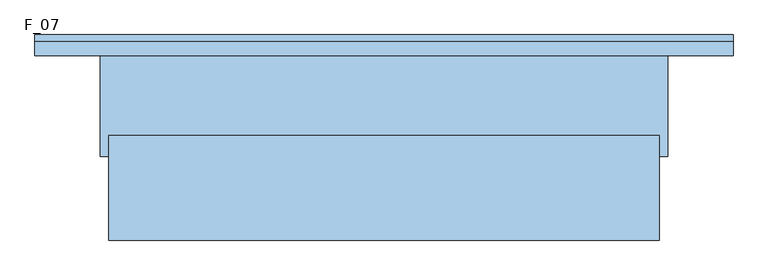
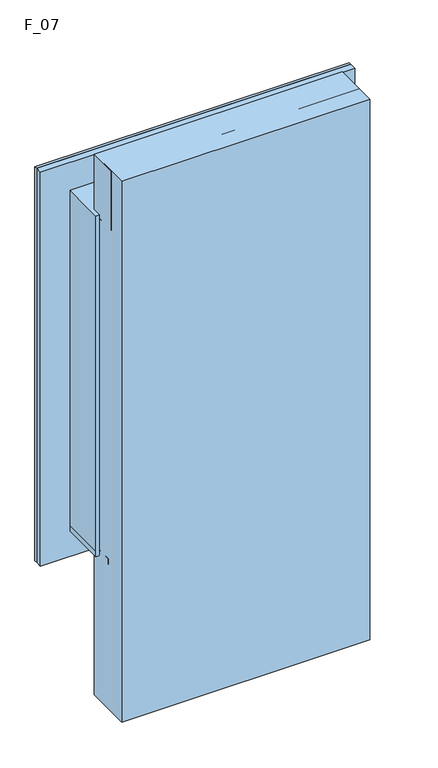
"""IFC4 building model written with IfcOpenShell, lengths in millimetres: window geometry, F_07."""

from ifc_helpers import new_model, si_unit, point, frame, frame_2d, origin, origin_with_axes, place, context, project, spatial, polyline, circle_curve, ellipse_curve, trimmed, segment, composite_curve, outline, extrude, faceted_brep, source, transform, mapped, element, save
from ifc_brep_helpers import plane_surface, revolved_surface, advanced_brep


def f_07_8e0ab3a9(model_context):
    return source(origin(), model_context, "Body", "SolidModel", [
        extrude(outline(polyline([(655.0, -220.0), (-655.0, -220.0), (-655.0, 30.0), (655.0, 30.0), (655.0, -220.0)])), origin_with_axes(), (0.0, 0.0, 1.0), 3020.0),
        extrude(outline(polyline([(2710.0, -675.0), (820.0, -675.0), (820.0, 675.0), (2710.0, 675.0), (2710.0, -675.0)]), holes=[polyline([(2690.0, -655.0), (2690.0, 655.0), (840.0, 655.0), (840.0, -655.0), (2690.0, -655.0)])]), frame((0.0, 255.0, 0.0), z_axis=(0.0, 1.0, 0.0), x_axis=(0.0, 0.0, 1.0)), (0.0, 0.0, 1.0), 15.0),
        extrude(outline(polyline([(665.0, -830.0), (665.0, 830.0), (2865.0, 830.0), (2865.0, -830.0), (665.0, -830.0)]), holes=[polyline([(2845.0, -810.0), (2845.0, 810.0), (685.0, 810.0), (685.0, -810.0), (2845.0, -810.0)])]), frame((0.0, 255.0, 0.0), z_axis=(0.0, 1.0, 0.0), x_axis=(0.0, 0.0, 1.0)), (0.0, 0.0, 1.0), 15.0),
        extrude(outline(polyline([(820.0, 685.6066017), (944.3933983, 810.0), (965.6066017, 810.0), (1090.0, 685.6066017), (1214.3933983, 810.0), (1235.6066017, 810.0), (1360.0, 685.6066017), (1484.3933983, 810.0), (1505.6066017, 810.0), (1630.0, 685.6066017), (1754.3933983, 810.0), (1775.6066017, 810.0), (1900.0, 685.6066017), (2024.3933983, 810.0), (2045.6066017, 810.0), (2170.0, 685.6066017), (2294.3933983, 810.0), (2315.6066017, 810.0), (2440.0, 685.6066017), (2564.3933983, 810.0), (2575.0, 810.0), (2704.6966991, 680.3033009), (2834.3933983, 810.0), (2845.0, 810.0), (2845.0, 799.3933983), (2715.3033009, 669.6966991), (2845.0, 540.0), (2845.0, 529.3933983), (2720.6066017, 405.0), (2845.0, 280.6066017), (2845.0, 259.3933983), (2720.6066017, 135.0), (2845.0, 10.6066017), (2845.0, -10.6066017), (2720.6066017, -135.0), (2845.0, -259.3933983), (2845.0, -280.6066017), (2720.6066017, -405.0), (2845.0, -529.3933983), (2845.0, -550.6066017), (2720.6066017, -675.0), (2845.0, -799.3933983), (2845.0, -810.0), (2834.3933983, -810.0), (2710.0, -685.6066017), (2585.6066017, -810.0), (2564.3933983, -810.0), (2440.0, -685.6066017), (2315.6066017, -810.0), (2294.3933983, -810.0), (2170.0, -685.6066017), (2045.6066017, -810.0), (2024.3933983, -810.0), (1900.0, -685.6066017), (1775.6066017, -810.0), (1754.3933983, -810.0), (1630.0, -685.6066017), (1505.6066017, -810.0), (1484.3933983, -810.0), (1360.0, -685.6066017), (1235.6066017, -810.0), (1214.3933983, -810.0), (1090.0, -685.6066017), (965.6066017, -810.0), (944.3933983, -810.0), (820.0, -685.6066017), (695.6066017, -810.0), (685.0, -810.0), (685.0, -799.3933983), (809.3933983, -675.0), (685.0, -550.6066017), (685.0, -529.3933983), (809.3933983, -405.0), (685.0, -280.6066017), (685.0, -259.3933983), (809.3933983, -135.0), (685.0, -10.6066017), (685.0, 10.6066017), (809.3933983, 135.0), (685.0, 259.3933983), (685.0, 280.6066017), (809.3933983, 405.0), (685.0, 529.3933983), (685.0, 550.6066017), (809.3933983, 675.0), (685.0, 799.3933983), (685.0, 810.0), (695.6066017, 810.0), (820.0, 685.6066017)]), holes=[polyline([(820.0, 664.3933983), (695.6066017, 540.0), (820.0, 415.6066017), (820.0, 394.3933983), (695.6066017, 270.0), (820.0, 145.6066017), (820.0, 124.3933983), (695.6066017, 0.0), (820.0, -124.3933983), (820.0, -145.6066017), (695.6066017, -270.0), (820.0, -394.3933983), (820.0, -415.6066017), (695.6066017, -540.0), (820.0, -664.3933983), (820.0, -675.0), (830.6066017, -675.0), (955.0, -799.3933983), (1079.3933983, -675.0), (1100.6066017, -675.0), (1225.0, -799.3933983), (1349.3933983, -675.0), (1370.6066017, -675.0), (1495.0, -799.3933983), (1619.3933983, -675.0), (1640.6066017, -675.0), (1765.0, -799.3933983), (1889.3933983, -675.0), (1910.6066017, -675.0), (2035.0, -799.3933983), (2159.3933983, -675.0), (2180.6066017, -675.0), (2305.0, -799.3933983), (2429.3933983, -675.0), (2450.6066017, -675.0), (2575.0, -799.3933983), (2699.3933983, -675.0), (2710.0, -675.0), (2710.0, -664.3933983), (2834.3933983, -540.0), (2710.0, -415.6066017), (2710.0, -394.3933983), (2834.3933983, -270.0), (2710.0, -145.6066017), (2710.0, -124.3933983), (2834.3933983, 0.0), (2710.0, 124.3933983), (2710.0, 145.6066017), (2834.3933983, 270.0), (2710.0, 394.3933983), (2710.0, 415.6066017), (2829.0900974, 534.6966991), (2710.0, 653.7867966), (2710.0, 675.0), (2688.7867966, 675.0), (2569.6966991, 794.0900974), (2450.6066017, 675.0), (2429.3933983, 675.0), (2305.0, 799.3933983), (2180.6066017, 675.0), (2159.3933983, 675.0), (2035.0, 799.3933983), (1910.6066017, 675.0), (1889.3933983, 675.0), (1765.0, 799.3933983), (1640.6066017, 675.0), (1619.3933983, 675.0), (1495.0, 799.3933983), (1370.6066017, 675.0), (1349.3933983, 675.0), (1225.0, 799.3933983), (1100.6066017, 675.0), (1079.3933983, 675.0), (955.0, 799.3933983), (830.6066017, 675.0), (820.0, 675.0), (820.0, 664.3933983)])]), frame((0.0, 255.0, 0.0), z_axis=(0.0, 1.0, 0.0), x_axis=(0.0, 0.0, 1.0)), (0.0, 0.0, 1.0), 10.0),
        extrude(outline(composite_curve([segment(polyline([(2845.0, 470.0), (2845.0, 340.0)]), True, "CONTINUOUS"), segment(trimmed(circle_curve(frame_2d((2845.0, 405.0)), 65.0), [point((2845.0, 340.0))], [point((2845.0, 470.0))], False, "CARTESIAN"), True, "CONTINUOUS")], self_intersect=False)), frame((0.0, 255.0, 0.0), z_axis=(0.0, 1.0, 0.0), x_axis=(0.0, 0.0, 1.0)), (0.0, 0.0, 1.0), 10.0),
        extrude(outline(composite_curve([segment(polyline([(2845.0, 200.0), (2845.0, 70.0)]), True, "CONTINUOUS"), segment(trimmed(circle_curve(frame_2d((2845.0, 135.0)), 65.0), [point((2845.0, 70.0))], [point((2845.0, 200.0))], False, "CARTESIAN"), True, "CONTINUOUS")], self_intersect=False)), frame((0.0, 255.0, 0.0), z_axis=(0.0, 1.0, 0.0), x_axis=(0.0, 0.0, 1.0)), (0.0, 0.0, 1.0), 10.0),
        extrude(outline(composite_curve([segment(polyline([(2845.0, -70.0), (2845.0, -200.0)]), True, "CONTINUOUS"), segment(trimmed(circle_curve(frame_2d((2845.0, -135.0)), 65.0), [point((2845.0, -200.0))], [point((2845.0, -70.0))], False, "CARTESIAN"), True, "CONTINUOUS")], self_intersect=False)), frame((0.0, 255.0, 0.0), z_axis=(0.0, 1.0, 0.0), x_axis=(0.0, 0.0, 1.0)), (0.0, 0.0, 1.0), 10.0),
        extrude(outline(composite_curve([segment(polyline([(2845.0, -340.0), (2845.0, -470.0)]), True, "CONTINUOUS"), segment(trimmed(circle_curve(frame_2d((2845.0, -405.0)), 65.0), [point((2845.0, -470.0))], [point((2845.0, -340.0))], False, "CARTESIAN"), True, "CONTINUOUS")], self_intersect=False)), frame((0.0, 255.0, 0.0), z_axis=(0.0, 1.0, 0.0), x_axis=(0.0, 0.0, 1.0)), (0.0, 0.0, 1.0), 10.0),
        extrude(outline(composite_curve([segment(polyline([(2845.0, -610.0), (2845.0, -740.0)]), True, "CONTINUOUS"), segment(trimmed(circle_curve(frame_2d((2845.0, -675.0)), 65.0), [point((2845.0, -740.0))], [point((2845.0, -610.0))], False, "CARTESIAN"), True, "CONTINUOUS")], self_intersect=False)), frame((0.0, 255.0, 0.0), z_axis=(0.0, 1.0, 0.0), x_axis=(0.0, 0.0, 1.0)), (0.0, 0.0, 1.0), 10.0),
        extrude(outline(composite_curve([segment(polyline([(2845.0, 735.0), (2845.0, 605.0)]), True, "CONTINUOUS"), segment(trimmed(circle_curve(frame_2d((2845.0, 670.0)), 65.0), [point((2845.0, 605.0))], [point((2845.0, 735.0))], False, "CARTESIAN"), True, "CONTINUOUS")], self_intersect=False)), frame((0.0, 255.0, 0.0), z_axis=(0.0, 1.0, 0.0), x_axis=(0.0, 0.0, 1.0)), (0.0, 0.0, 1.0), 10.0),
        extrude(outline(composite_curve([segment(trimmed(circle_curve(frame_2d((2710.0, 270.0)), 65.0), [point((2710.0, 335.0))], [point((2710.0, 205.0))], False, "CARTESIAN"), True, "CONTINUOUS"), segment(polyline([(2710.0, 205.0), (2710.0, 335.0)]), True, "CONTINUOUS")], self_intersect=False)), frame((0.0, 255.0, 0.0), z_axis=(0.0, 1.0, 0.0), x_axis=(0.0, 0.0, 1.0)), (0.0, 0.0, 1.0), 10.0),
        extrude(outline(composite_curve([segment(trimmed(circle_curve(frame_2d((2710.0, 534.6966991)), 65.0), [point((2710.0, 599.6966991))], [point((2710.0, 469.6966991))], False, "CARTESIAN"), True, "CONTINUOUS"), segment(polyline([(2710.0, 469.6966991), (2710.0, 599.6966991)]), True, "CONTINUOUS")], self_intersect=False)), frame((0.0, 255.0, 0.0), z_axis=(0.0, 1.0, 0.0), x_axis=(0.0, 0.0, 1.0)), (0.0, 0.0, 1.0), 10.0),
        extrude(outline(composite_curve([segment(trimmed(circle_curve(frame_2d((2710.0, 0.0)), 65.0), [point((2710.0, 65.0))], [point((2710.0, -65.0))], False, "CARTESIAN"), True, "CONTINUOUS"), segment(polyline([(2710.0, -65.0), (2710.0, 65.0)]), True, "CONTINUOUS")], self_intersect=False)), frame((0.0, 255.0, 0.0), z_axis=(0.0, 1.0, 0.0), x_axis=(0.0, 0.0, 1.0)), (0.0, 0.0, 1.0), 10.0),
        extrude(outline(composite_curve([segment(trimmed(circle_curve(frame_2d((2710.0, -270.0)), 65.0), [point((2710.0, -205.0))], [point((2710.0, -335.0))], False, "CARTESIAN"), True, "CONTINUOUS"), segment(polyline([(2710.0, -335.0), (2710.0, -205.0)]), True, "CONTINUOUS")], self_intersect=False)), frame((0.0, 255.0, 0.0), z_axis=(0.0, 1.0, 0.0), x_axis=(0.0, 0.0, 1.0)), (0.0, 0.0, 1.0), 10.0),
        extrude(outline(composite_curve([segment(trimmed(circle_curve(frame_2d((2710.0, -540.0)), 65.0), [point((2710.0, -475.0))], [point((2710.0, -605.0))], False, "CARTESIAN"), True, "CONTINUOUS"), segment(polyline([(2710.0, -605.0), (2710.0, -475.0)]), True, "CONTINUOUS")], self_intersect=False)), frame((0.0, 255.0, 0.0), z_axis=(0.0, 1.0, 0.0), x_axis=(0.0, 0.0, 1.0)), (0.0, 0.0, 1.0), 10.0),
        extrude(outline(composite_curve([segment(polyline([(820.0, 605.0), (820.0, 475.0)]), True, "CONTINUOUS"), segment(trimmed(circle_curve(frame_2d((820.0, 540.0)), 65.0), [point((820.0, 475.0))], [point((820.0, 605.0))], False, "CARTESIAN"), True, "CONTINUOUS")], self_intersect=False)), frame((0.0, 255.0, 0.0), z_axis=(0.0, 1.0, 0.0), x_axis=(0.0, 0.0, 1.0)), (0.0, 0.0, 1.0), 10.0),
        extrude(outline(composite_curve([segment(polyline([(820.0, 335.0), (820.0, 205.0)]), True, "CONTINUOUS"), segment(trimmed(circle_curve(frame_2d((820.0, 270.0)), 65.0), [point((820.0, 205.0))], [point((820.0, 335.0))], False, "CARTESIAN"), True, "CONTINUOUS")], self_intersect=False)), frame((0.0, 255.0, 0.0), z_axis=(0.0, 1.0, 0.0), x_axis=(0.0, 0.0, 1.0)), (0.0, 0.0, 1.0), 10.0),
        extrude(outline(composite_curve([segment(polyline([(820.0, 65.0), (820.0, -65.0)]), True, "CONTINUOUS"), segment(trimmed(circle_curve(frame_2d((820.0, 0.0)), 65.0), [point((820.0, -65.0))], [point((820.0, 65.0))], False, "CARTESIAN"), True, "CONTINUOUS")], self_intersect=False)), frame((0.0, 255.0, 0.0), z_axis=(0.0, 1.0, 0.0), x_axis=(0.0, 0.0, 1.0)), (0.0, 0.0, 1.0), 10.0),
        extrude(outline(composite_curve([segment(polyline([(820.0, -205.0), (820.0, -335.0)]), True, "CONTINUOUS"), segment(trimmed(circle_curve(frame_2d((820.0, -270.0)), 65.0), [point((820.0, -335.0))], [point((820.0, -205.0))], False, "CARTESIAN"), True, "CONTINUOUS")], self_intersect=False)), frame((0.0, 255.0, 0.0), z_axis=(0.0, 1.0, 0.0), x_axis=(0.0, 0.0, 1.0)), (0.0, 0.0, 1.0), 10.0),
        extrude(outline(composite_curve([segment(polyline([(820.0, -475.0), (820.0, -605.0)]), True, "CONTINUOUS"), segment(trimmed(circle_curve(frame_2d((820.0, -540.0)), 65.0), [point((820.0, -605.0))], [point((820.0, -475.0))], False, "CARTESIAN"), True, "CONTINUOUS")], self_intersect=False)), frame((0.0, 255.0, 0.0), z_axis=(0.0, 1.0, 0.0), x_axis=(0.0, 0.0, 1.0)), (0.0, 0.0, 1.0), 10.0),
        extrude(outline(composite_curve([segment(trimmed(circle_curve(frame_2d((685.0, 405.0)), 65.0), [point((685.0, 470.0))], [point((685.0, 340.0))], False, "CARTESIAN"), True, "CONTINUOUS"), segment(polyline([(685.0, 340.0), (685.0, 470.0)]), True, "CONTINUOUS")], self_intersect=False)), frame((0.0, 255.0, 0.0), z_axis=(0.0, 1.0, 0.0), x_axis=(0.0, 0.0, 1.0)), (0.0, 0.0, 1.0), 10.0),
        extrude(outline(composite_curve([segment(trimmed(circle_curve(frame_2d((685.0, 135.0)), 65.0), [point((685.0, 200.0))], [point((685.0, 70.0))], False, "CARTESIAN"), True, "CONTINUOUS"), segment(polyline([(685.0, 70.0), (685.0, 200.0)]), True, "CONTINUOUS")], self_intersect=False)), frame((0.0, 255.0, 0.0), z_axis=(0.0, 1.0, 0.0), x_axis=(0.0, 0.0, 1.0)), (0.0, 0.0, 1.0), 10.0),
        extrude(outline(composite_curve([segment(trimmed(circle_curve(frame_2d((685.0, 675.0)), 65.0), [point((685.0, 740.0))], [point((685.0, 610.0))], False, "CARTESIAN"), True, "CONTINUOUS"), segment(polyline([(685.0, 610.0), (685.0, 740.0)]), True, "CONTINUOUS")], self_intersect=False)), frame((0.0, 255.0, 0.0), z_axis=(0.0, 1.0, 0.0), x_axis=(0.0, 0.0, 1.0)), (0.0, 0.0, 1.0), 10.0),
        extrude(outline(composite_curve([segment(trimmed(circle_curve(frame_2d((685.0, -135.0)), 65.0), [point((685.0, -70.0))], [point((685.0, -200.0))], False, "CARTESIAN"), True, "CONTINUOUS"), segment(polyline([(685.0, -200.0), (685.0, -70.0)]), True, "CONTINUOUS")], self_intersect=False)), frame((0.0, 255.0, 0.0), z_axis=(0.0, 1.0, 0.0), x_axis=(0.0, 0.0, 1.0)), (0.0, 0.0, 1.0), 10.0),
        extrude(outline(composite_curve([segment(trimmed(circle_curve(frame_2d((685.0, -405.0)), 65.0), [point((685.0, -340.0))], [point((685.0, -470.0))], False, "CARTESIAN"), True, "CONTINUOUS"), segment(polyline([(685.0, -470.0), (685.0, -340.0)]), True, "CONTINUOUS")], self_intersect=False)), frame((0.0, 255.0, 0.0), z_axis=(0.0, 1.0, 0.0), x_axis=(0.0, 0.0, 1.0)), (0.0, 0.0, 1.0), 10.0),
        extrude(outline(composite_curve([segment(trimmed(circle_curve(frame_2d((685.0, -675.0)), 65.0), [point((685.0, -610.0))], [point((685.0, -740.0))], False, "CARTESIAN"), True, "CONTINUOUS"), segment(polyline([(685.0, -740.0), (685.0, -610.0)]), True, "CONTINUOUS")], self_intersect=False)), frame((0.0, 255.0, 0.0), z_axis=(0.0, 1.0, 0.0), x_axis=(0.0, 0.0, 1.0)), (0.0, 0.0, 1.0), 10.0),
        extrude(outline(composite_curve([segment(trimmed(circle_curve(frame_2d((1090.0, -810.0)), 65.0), [point((1025.0, -810.0))], [point((1155.0, -810.0))], False, "CARTESIAN"), True, "CONTINUOUS"), segment(polyline([(1155.0, -810.0), (1025.0, -810.0)]), True, "CONTINUOUS")], self_intersect=False)), frame((0.0, 255.0, 0.0), z_axis=(0.0, 1.0, 0.0), x_axis=(0.0, 0.0, 1.0)), (0.0, 0.0, 1.0), 10.0),
        extrude(outline(composite_curve([segment(trimmed(circle_curve(frame_2d((955.0, -675.0)), 65.0), [point((1020.0, -675.0))], [point((890.0, -675.0))], False, "CARTESIAN"), True, "CONTINUOUS"), segment(polyline([(890.0, -675.0), (1020.0, -675.0)]), True, "CONTINUOUS")], self_intersect=False)), frame((0.0, 255.0, 0.0), z_axis=(0.0, 1.0, 0.0), x_axis=(0.0, 0.0, 1.0)), (0.0, 0.0, 1.0), 10.0),
        extrude(outline(composite_curve([segment(trimmed(circle_curve(frame_2d((820.0, -810.0)), 65.0), [point((755.0, -810.0))], [point((885.0, -810.0))], False, "CARTESIAN"), True, "CONTINUOUS"), segment(polyline([(885.0, -810.0), (755.0, -810.0)]), True, "CONTINUOUS")], self_intersect=False)), frame((0.0, 255.0, 0.0), z_axis=(0.0, 1.0, 0.0), x_axis=(0.0, 0.0, 1.0)), (0.0, 0.0, 1.0), 10.0),
        extrude(outline(composite_curve([segment(trimmed(circle_curve(frame_2d((1360.0, -810.0)), 65.0), [point((1295.0, -810.0))], [point((1425.0, -810.0))], False, "CARTESIAN"), True, "CONTINUOUS"), segment(polyline([(1425.0, -810.0), (1295.0, -810.0)]), True, "CONTINUOUS")], self_intersect=False)), frame((0.0, 255.0, 0.0), z_axis=(0.0, 1.0, 0.0), x_axis=(0.0, 0.0, 1.0)), (0.0, 0.0, 1.0), 10.0),
        extrude(outline(composite_curve([segment(trimmed(circle_curve(frame_2d((1630.0, -810.0)), 65.0), [point((1565.0, -810.0))], [point((1695.0, -810.0))], False, "CARTESIAN"), True, "CONTINUOUS"), segment(polyline([(1695.0, -810.0), (1565.0, -810.0)]), True, "CONTINUOUS")], self_intersect=False)), frame((0.0, 255.0, 0.0), z_axis=(0.0, 1.0, 0.0), x_axis=(0.0, 0.0, 1.0)), (0.0, 0.0, 1.0), 10.0),
        extrude(outline(composite_curve([segment(trimmed(circle_curve(frame_2d((1900.0, -810.0)), 65.0), [point((1835.0, -810.0))], [point((1965.0, -810.0))], False, "CARTESIAN"), True, "CONTINUOUS"), segment(polyline([(1965.0, -810.0), (1835.0, -810.0)]), True, "CONTINUOUS")], self_intersect=False)), frame((0.0, 255.0, 0.0), z_axis=(0.0, 1.0, 0.0), x_axis=(0.0, 0.0, 1.0)), (0.0, 0.0, 1.0), 10.0),
        extrude(outline(composite_curve([segment(trimmed(circle_curve(frame_2d((2170.0, -810.0)), 65.0), [point((2105.0, -810.0))], [point((2235.0, -810.0))], False, "CARTESIAN"), True, "CONTINUOUS"), segment(polyline([(2235.0, -810.0), (2105.0, -810.0)]), True, "CONTINUOUS")], self_intersect=False)), frame((0.0, 255.0, 0.0), z_axis=(0.0, 1.0, 0.0), x_axis=(0.0, 0.0, 1.0)), (0.0, 0.0, 1.0), 10.0),
        extrude(outline(composite_curve([segment(trimmed(circle_curve(frame_2d((2440.0, -810.0)), 65.0), [point((2375.0, -810.0))], [point((2505.0, -810.0))], False, "CARTESIAN"), True, "CONTINUOUS"), segment(polyline([(2505.0, -810.0), (2375.0, -810.0)]), True, "CONTINUOUS")], self_intersect=False)), frame((0.0, 255.0, 0.0), z_axis=(0.0, 1.0, 0.0), x_axis=(0.0, 0.0, 1.0)), (0.0, 0.0, 1.0), 10.0),
        extrude(outline(composite_curve([segment(trimmed(circle_curve(frame_2d((2710.0, -810.0)), 65.0), [point((2645.0, -810.0))], [point((2775.0, -810.0))], False, "CARTESIAN"), True, "CONTINUOUS"), segment(polyline([(2775.0, -810.0), (2645.0, -810.0)]), True, "CONTINUOUS")], self_intersect=False)), frame((0.0, 255.0, 0.0), z_axis=(0.0, 1.0, 0.0), x_axis=(0.0, 0.0, 1.0)), (0.0, 0.0, 1.0), 10.0),
        extrude(outline(composite_curve([segment(trimmed(circle_curve(frame_2d((2569.6966991, 675.0)), 65.0), [point((2504.6966991, 675.0))], [point((2634.6966991, 675.0))], False, "CARTESIAN"), True, "CONTINUOUS"), segment(polyline([(2634.6966991, 675.0), (2504.6966991, 675.0)]), True, "CONTINUOUS")], self_intersect=False)), frame((0.0, 255.0, 0.0), z_axis=(0.0, 1.0, 0.0), x_axis=(0.0, 0.0, 1.0)), (0.0, 0.0, 1.0), 10.0),
        extrude(outline(composite_curve([segment(trimmed(circle_curve(frame_2d((2305.0, 675.0)), 65.0), [point((2240.0, 675.0))], [point((2370.0, 675.0))], False, "CARTESIAN"), True, "CONTINUOUS"), segment(polyline([(2370.0, 675.0), (2240.0, 675.0)]), True, "CONTINUOUS")], self_intersect=False)), frame((0.0, 255.0, 0.0), z_axis=(0.0, 1.0, 0.0), x_axis=(0.0, 0.0, 1.0)), (0.0, 0.0, 1.0), 10.0),
        extrude(outline(composite_curve([segment(trimmed(circle_curve(frame_2d((2035.0, 675.0)), 65.0), [point((1970.0, 675.0))], [point((2100.0, 675.0))], False, "CARTESIAN"), True, "CONTINUOUS"), segment(polyline([(2100.0, 675.0), (1970.0, 675.0)]), True, "CONTINUOUS")], self_intersect=False)), frame((0.0, 255.0, 0.0), z_axis=(0.0, 1.0, 0.0), x_axis=(0.0, 0.0, 1.0)), (0.0, 0.0, 1.0), 10.0),
        extrude(outline(composite_curve([segment(trimmed(circle_curve(frame_2d((1765.0, 675.0)), 65.0), [point((1700.0, 675.0))], [point((1830.0, 675.0))], False, "CARTESIAN"), True, "CONTINUOUS"), segment(polyline([(1830.0, 675.0), (1700.0, 675.0)]), True, "CONTINUOUS")], self_intersect=False)), frame((0.0, 255.0, 0.0), z_axis=(0.0, 1.0, 0.0), x_axis=(0.0, 0.0, 1.0)), (0.0, 0.0, 1.0), 10.0),
        extrude(outline(composite_curve([segment(trimmed(circle_curve(frame_2d((1225.0, 675.0)), 65.0), [point((1160.0, 675.0))], [point((1290.0, 675.0))], False, "CARTESIAN"), True, "CONTINUOUS"), segment(polyline([(1290.0, 675.0), (1160.0, 675.0)]), True, "CONTINUOUS")], self_intersect=False)), frame((0.0, 255.0, 0.0), z_axis=(0.0, 1.0, 0.0), x_axis=(0.0, 0.0, 1.0)), (0.0, 0.0, 1.0), 10.0),
        extrude(outline(composite_curve([segment(trimmed(circle_curve(frame_2d((955.0, 675.0)), 65.0), [point((890.0, 675.0))], [point((1020.0, 675.0))], False, "CARTESIAN"), True, "CONTINUOUS"), segment(polyline([(1020.0, 675.0), (890.0, 675.0)]), True, "CONTINUOUS")], self_intersect=False)), frame((0.0, 255.0, 0.0), z_axis=(0.0, 1.0, 0.0), x_axis=(0.0, 0.0, 1.0)), (0.0, 0.0, 1.0), 10.0),
        extrude(outline(composite_curve([segment(trimmed(circle_curve(frame_2d((1495.0, 675.0)), 65.0), [point((1430.0, 675.0))], [point((1560.0, 675.0))], False, "CARTESIAN"), True, "CONTINUOUS"), segment(polyline([(1560.0, 675.0), (1430.0, 675.0)]), True, "CONTINUOUS")], self_intersect=False)), frame((0.0, 255.0, 0.0), z_axis=(0.0, 1.0, 0.0), x_axis=(0.0, 0.0, 1.0)), (0.0, 0.0, 1.0), 10.0),
        extrude(outline(composite_curve([segment(trimmed(circle_curve(frame_2d((1225.0, -675.0)), 65.0), [point((1290.0, -675.0))], [point((1160.0, -675.0))], False, "CARTESIAN"), True, "CONTINUOUS"), segment(polyline([(1160.0, -675.0), (1290.0, -675.0)]), True, "CONTINUOUS")], self_intersect=False)), frame((0.0, 255.0, 0.0), z_axis=(0.0, 1.0, 0.0), x_axis=(0.0, 0.0, 1.0)), (0.0, 0.0, 1.0), 10.0),
        extrude(outline(composite_curve([segment(trimmed(circle_curve(frame_2d((1495.0, -675.0)), 65.0), [point((1560.0, -675.0))], [point((1430.0, -675.0))], False, "CARTESIAN"), True, "CONTINUOUS"), segment(polyline([(1430.0, -675.0), (1560.0, -675.0)]), True, "CONTINUOUS")], self_intersect=False)), frame((0.0, 255.0, 0.0), z_axis=(0.0, 1.0, 0.0), x_axis=(0.0, 0.0, 1.0)), (0.0, 0.0, 1.0), 10.0),
        extrude(outline(composite_curve([segment(trimmed(circle_curve(frame_2d((1765.0, -675.0)), 65.0), [point((1830.0, -675.0))], [point((1700.0, -675.0))], False, "CARTESIAN"), True, "CONTINUOUS"), segment(polyline([(1700.0, -675.0), (1830.0, -675.0)]), True, "CONTINUOUS")], self_intersect=False)), frame((0.0, 255.0, 0.0), z_axis=(0.0, 1.0, 0.0), x_axis=(0.0, 0.0, 1.0)), (0.0, 0.0, 1.0), 10.0),
        extrude(outline(composite_curve([segment(trimmed(circle_curve(frame_2d((2035.0, -675.0)), 65.0), [point((2100.0, -675.0))], [point((1970.0, -675.0))], False, "CARTESIAN"), True, "CONTINUOUS"), segment(polyline([(1970.0, -675.0), (2100.0, -675.0)]), True, "CONTINUOUS")], self_intersect=False)), frame((0.0, 255.0, 0.0), z_axis=(0.0, 1.0, 0.0), x_axis=(0.0, 0.0, 1.0)), (0.0, 0.0, 1.0), 10.0),
        extrude(outline(composite_curve([segment(trimmed(circle_curve(frame_2d((2305.0, -675.0)), 65.0), [point((2370.0, -675.0))], [point((2240.0, -675.0))], False, "CARTESIAN"), True, "CONTINUOUS"), segment(polyline([(2240.0, -675.0), (2370.0, -675.0)]), True, "CONTINUOUS")], self_intersect=False)), frame((0.0, 255.0, 0.0), z_axis=(0.0, 1.0, 0.0), x_axis=(0.0, 0.0, 1.0)), (0.0, 0.0, 1.0), 10.0),
        extrude(outline(composite_curve([segment(trimmed(circle_curve(frame_2d((2575.0, -675.0)), 65.0), [point((2640.0, -675.0))], [point((2510.0, -675.0))], False, "CARTESIAN"), True, "CONTINUOUS"), segment(polyline([(2510.0, -675.0), (2640.0, -675.0)]), True, "CONTINUOUS")], self_intersect=False)), frame((0.0, 255.0, 0.0), z_axis=(0.0, 1.0, 0.0), x_axis=(0.0, 0.0, 1.0)), (0.0, 0.0, 1.0), 10.0),
        extrude(outline(composite_curve([segment(trimmed(circle_curve(frame_2d((2704.6966991, 810.0)), 65.0), [point((2769.6966991, 810.0))], [point((2639.6966991, 810.0))], False, "CARTESIAN"), True, "CONTINUOUS"), segment(polyline([(2639.6966991, 810.0), (2769.6966991, 810.0)]), True, "CONTINUOUS")], self_intersect=False)), frame((0.0, 255.0, 0.0), z_axis=(0.0, 1.0, 0.0), x_axis=(0.0, 0.0, 1.0)), (0.0, 0.0, 1.0), 10.0),
        extrude(outline(composite_curve([segment(trimmed(circle_curve(frame_2d((2434.6966991, 810.0)), 65.0), [point((2499.6966991, 810.0))], [point((2369.6966991, 810.0))], False, "CARTESIAN"), True, "CONTINUOUS"), segment(polyline([(2369.6966991, 810.0), (2499.6966991, 810.0)]), True, "CONTINUOUS")], self_intersect=False)), frame((0.0, 255.0, 0.0), z_axis=(0.0, 1.0, 0.0), x_axis=(0.0, 0.0, 1.0)), (0.0, 0.0, 1.0), 10.0),
        extrude(outline(composite_curve([segment(trimmed(circle_curve(frame_2d((2164.6966991, 810.0)), 65.0), [point((2229.6966991, 810.0))], [point((2099.6966991, 810.0))], False, "CARTESIAN"), True, "CONTINUOUS"), segment(polyline([(2099.6966991, 810.0), (2229.6966991, 810.0)]), True, "CONTINUOUS")], self_intersect=False)), frame((0.0, 255.0, 0.0), z_axis=(0.0, 1.0, 0.0), x_axis=(0.0, 0.0, 1.0)), (0.0, 0.0, 1.0), 10.0),
        extrude(outline(composite_curve([segment(trimmed(circle_curve(frame_2d((1894.6966991, 810.0)), 65.0), [point((1959.6966991, 810.0))], [point((1829.6966991, 810.0))], False, "CARTESIAN"), True, "CONTINUOUS"), segment(polyline([(1829.6966991, 810.0), (1959.6966991, 810.0)]), True, "CONTINUOUS")], self_intersect=False)), frame((0.0, 255.0, 0.0), z_axis=(0.0, 1.0, 0.0), x_axis=(0.0, 0.0, 1.0)), (0.0, 0.0, 1.0), 10.0),
        extrude(outline(composite_curve([segment(trimmed(circle_curve(frame_2d((1624.6966991, 810.0)), 65.0), [point((1689.6966991, 810.0))], [point((1559.6966991, 810.0))], False, "CARTESIAN"), True, "CONTINUOUS"), segment(polyline([(1559.6966991, 810.0), (1689.6966991, 810.0)]), True, "CONTINUOUS")], self_intersect=False)), frame((0.0, 255.0, 0.0), z_axis=(0.0, 1.0, 0.0), x_axis=(0.0, 0.0, 1.0)), (0.0, 0.0, 1.0), 10.0),
        extrude(outline(composite_curve([segment(trimmed(circle_curve(frame_2d((1354.6966991, 810.0)), 65.0), [point((1419.6966991, 810.0))], [point((1289.6966991, 810.0))], False, "CARTESIAN"), True, "CONTINUOUS"), segment(polyline([(1289.6966991, 810.0), (1419.6966991, 810.0)]), True, "CONTINUOUS")], self_intersect=False)), frame((0.0, 255.0, 0.0), z_axis=(0.0, 1.0, 0.0), x_axis=(0.0, 0.0, 1.0)), (0.0, 0.0, 1.0), 10.0),
        extrude(outline(composite_curve([segment(trimmed(circle_curve(frame_2d((1084.6966991, 810.0)), 65.0), [point((1149.6966991, 810.0))], [point((1019.6966991, 810.0))], False, "CARTESIAN"), True, "CONTINUOUS"), segment(polyline([(1019.6966991, 810.0), (1149.6966991, 810.0)]), True, "CONTINUOUS")], self_intersect=False)), frame((0.0, 255.0, 0.0), z_axis=(0.0, 1.0, 0.0), x_axis=(0.0, 0.0, 1.0)), (0.0, 0.0, 1.0), 10.0),
        extrude(outline(composite_curve([segment(trimmed(circle_curve(frame_2d((814.6966991, 810.0)), 65.0), [point((879.6966991, 810.0))], [point((749.6966991, 810.0))], False, "CARTESIAN"), True, "CONTINUOUS"), segment(polyline([(749.6966991, 810.0), (879.6966991, 810.0)]), True, "CONTINUOUS")], self_intersect=False)), frame((0.0, 255.0, 0.0), z_axis=(0.0, 1.0, 0.0), x_axis=(0.0, 0.0, 1.0)), (0.0, 0.0, 1.0), 10.0),
        extrude(outline(polyline([(665.0, -830.0), (665.0, 830.0), (2865.0, 830.0), (2865.0, -830.0), (665.0, -830.0)]), holes=[polyline([(2690.0, -655.0), (2690.0, 655.0), (840.0, 655.0), (840.0, -655.0), (2690.0, -655.0)])]), frame((0.0, 220.0, 0.0), z_axis=(0.0, 1.0, 0.0), x_axis=(0.0, 0.0, 1.0)), (0.0, 0.0, 1.0), 35.0),
        faceted_brep([(610.0, -126.0115087, 2975.0), (610.0, -136.0115087, 2975.0), (610.0, -136.0115087, 2735.0), (610.0, -126.0115087, 2735.0), (575.0, -136.0115087, 2770.0), (575.0, -136.0115087, 2940.0), (575.0, -131.0115087, 2940.0), (575.0, -131.0115087, 2770.0), (580.0, -141.0115087, 2945.0), (580.0, -136.0115087, 2945.0), (580.0, -136.0115087, 2765.0), (580.0, -141.0115087, 2765.0), (605.0, -136.0115087, 2970.0), (605.0, -141.0115087, 2970.0), (605.0, -141.0115087, 2740.0), (605.0, -136.0115087, 2740.0), (-610.0, -136.0115087, 2735.0), (-610.0, -126.0115087, 2735.0), (-575.0, -136.0115087, 2770.0), (-575.0, -131.0115087, 2770.0), (-580.0, -136.0115087, 2765.0), (-580.0, -141.0115087, 2765.0), (-605.0, -141.0115087, 2740.0), (-605.0, -136.0115087, 2740.0), (-610.0, -136.0115087, 2975.0), (-610.0, -126.0115087, 2975.0), (-575.0, -136.0115087, 2940.0), (-575.0, -131.0115087, 2940.0), (-580.0, -136.0115087, 2945.0), (-580.0, -141.0115087, 2945.0), (-605.0, -141.0115087, 2970.0), (-605.0, -136.0115087, 2970.0)], [[[0, 1, 2, 3]], [[4, 5, 6, 7]], [[8, 9, 10, 11]], [[12, 13, 14, 15]], [[3, 2, 16, 17]], [[18, 4, 7, 19]], [[11, 10, 20, 21]], [[15, 14, 22, 23]], [[17, 16, 24, 25]], [[26, 18, 19, 27]], [[21, 20, 28, 29]], [[23, 22, 30, 31]], [[1, 0, 25, 24]], [[5, 26, 27, 6]], [[10, 9, 28, 20], [5, 4, 18, 26]], [[9, 8, 29, 28]], [[14, 13, 30, 22], [8, 11, 21, 29]], [[13, 12, 31, 30]], [[2, 1, 24, 16], [12, 15, 23, 31]], [[7, 6, 27, 19]], [[0, 3, 17, 25]]]),
        extrude(outline(polyline([(655.0, -126.0115087), (-655.0, -126.0115087), (-655.0, -60.0115087), (655.0, -60.0115087), (655.0, -126.0115087)])), frame((0.0, 0.0, 2690.0), z_axis=(0.0, 0.0, 1.0), x_axis=(1.0, 0.0, 0.0)), (0.0, 0.0, 1.0), 330.0),
        extrude(outline(polyline([(-67.2514037, 1361.1787194), (-60.0, 1357.969871), (-60.0, 1356.876336), (-67.8266265, 1360.3397286), (-71.0115087, 1363.5246108), (-71.0115087, 2690.0), (-70.0115087, 2690.0), (-70.0115087, 1363.9388244), (-67.2514037, 1361.1787194)])), frame((615.0, 0.0, 0.0), z_axis=(1.0, 0.0, 0.0), x_axis=(0.0, 1.0, 0.0)), (0.0, 0.0, 1.0), 20.0),
        extrude(outline(polyline([(612.5, -66.8371902), (612.5, -60.0), (637.5, -60.0), (637.5, -66.8371902), (612.5, -66.8371902)])), frame((0.0, 0.0, 1352.7610226), z_axis=(0.0, 0.0, 1.0), x_axis=(1.0, 0.0, 0.0)), (0.0, 0.0, 1.0), 1.0),
        extrude(outline(polyline([(-66.8371902, 1362.1787194), (-60.0, 1362.1787194), (-60.0, 1361.1787194), (-67.2514037, 1361.1787194), (-70.0115087, 1363.9388244), (-69.304402, 1364.6459312), (-66.8371902, 1362.1787194)])), frame((612.5, 0.0, 0.0), z_axis=(1.0, 0.0, 0.0), x_axis=(0.0, 1.0, 0.0)), (0.0, 0.0, 1.0), 25.0),
        extrude(outline(polyline([(1520.0, 605.0), (1300.0, 605.0), (1300.0, 645.0), (1520.0, 645.0), (1520.0, 605.0)]), holes=[polyline([(1362.1787194, 612.5), (1362.1787194, 637.5), (1352.7610226, 637.5), (1352.7610226, 612.5), (1362.1787194, 612.5)])]), frame((0.0, -62.0, 0.0), z_axis=(0.0, 1.0, 0.0), x_axis=(0.0, 0.0, 1.0)), (0.0, 0.0, 1.0), 2.0),
        advanced_brep(
        [(-28.5497704, -90.2287724, 1428.0503471), (-14.693364, -90.2287724, 1420.0503471), (14.693364, -90.2287724, 1502.9496529), (28.5497704, -90.2287724, 1494.9496529)],
        [
            (0, 1, ellipse_curve(frame((-21.6215672, -90.2287724, 1424.0503471), z_axis=(-0.46984631039295827, 0.3420201433256777, -0.8137976813493676), x_axis=(0.8660254037844349, 0.0, -0.5000000000000066)), 8.0, 3.5)),
            (1, 0, ellipse_curve(frame((-21.6215672, -90.2287724, 1424.0503471), z_axis=(-0.46984631039295827, 0.3420201433256777, -0.8137976813493676), x_axis=(0.8660254037844349, 0.0, -0.5000000000000066)), 8.0, 3.5)),
            (2, 3, ellipse_curve(frame((21.6215672, -90.2287724, 1498.9496529), z_axis=(0.46984631039296154, 0.3420201433256599, 0.8137976813493732), x_axis=(0.8660254037844355, 0.0, -0.5000000000000056)), 8.0, 3.5)),
            (3, 2, ellipse_curve(frame((21.6215672, -90.2287724, 1498.9496529), z_axis=(0.46984631039296154, 0.3420201433256599, 0.8137976813493732), x_axis=(0.8660254037844355, 0.0, -0.5000000000000056)), 8.0, 3.5)),
            (3, 1, circle_curve(frame((6.9282032, 28.580763, 1457.5), z_axis=(0.8660254037844353, 0.0, -0.500000000000006), x_axis=(-0.1710100716628409, -0.9396926207859051, -0.29619813272603046)), 126.4344667)),
            (0, 2, circle_curve(frame((-6.9282032, 28.580763, 1465.5), z_axis=(-0.8660254037844353, 0.0, 0.500000000000006), x_axis=(-0.1710100716628409, -0.9396926207859051, -0.29619813272603046)), 126.4344667)),
        ],
        [
            plane_surface(frame((40.0926994, -87.5471681, 1389.5466142), z_axis=(-0.4698463103929582, 0.34202014332567776, -0.8137976813493677), x_axis=(-0.8660254037844352, 0.0, 0.500000000000006))),
            plane_surface(frame((82.3598097, -87.5471681, 1462.7553967), z_axis=(0.4698463103929615, 0.34202014332565983, 0.8137976813493734), x_axis=(-0.8660254037844352, 0.0, 0.500000000000006))),
            revolved_surface(trimmed(ellipse_curve(frame((-21.6215672, -90.2287724, 1424.0503471), z_axis=(-0.46984631039295827, 0.3420201433256777, -0.8137976813493676), x_axis=(0.8660254037844349, 0.0, -0.5000000000000066)), 8.0, 3.5), [point((-28.5497704, -90.2287724, 1428.0503471))], [point((-14.693364, -90.2287724, 1420.0503471))], True, "CARTESIAN"), (61.2262546, 28.580763, 1426.1510055), (-0.8660254037844353, 0.0, 0.500000000000006)),
            revolved_surface(trimmed(ellipse_curve(frame((-21.6215672, -90.2287724, 1424.0503471), z_axis=(-0.46984631039295827, 0.3420201433256777, -0.8137976813493676), x_axis=(0.8660254037844349, 0.0, -0.5000000000000066)), 8.0, 3.5), [point((-14.693364, -90.2287724, 1420.0503471))], [point((-28.5497704, -90.2287724, 1428.0503471))], True, "CARTESIAN"), (61.2262546, 28.580763, 1426.1510055), (-0.8660254037844353, 0.0, 0.500000000000006)),
        ],
        [
            (0, [[1, 2]]),
            (1, [[3, 4]]),
            (2, [[5, -1, 6, -4]]),
            (3, [[-6, -2, -5, -3]]),
        ],
    ),
        extrude(outline(composite_curve([segment(trimmed(circle_curve(frame_2d((1461.5, 0.0)), 3.5), [point((1461.5, -3.5))], [point((1461.5, 3.5))], False, "CARTESIAN"), True, "CONTINUOUS"), segment(trimmed(circle_curve(frame_2d((1461.5, 0.0)), 3.5), [point((1461.5, 3.5))], [point((1461.5, -3.5))], False, "CARTESIAN"), True, "CONTINUOUS")], self_intersect=False)), frame((0.0, -95.0, 0.0), z_axis=(0.0, 1.0, 0.0), x_axis=(0.0, 0.0, 1.0)), (0.0, 0.0, 1.0), 10.0),
        extrude(outline(composite_curve([segment(polyline([(1525.8020109, -15.0), (1395.8020109, -15.0)]), True, "CONTINUOUS"), segment(trimmed(circle_curve(frame_2d((1395.8020109, 0.0)), 15.0), [point((1395.8020109, -15.0))], [point((1395.8020109, 15.0))], False, "CARTESIAN"), True, "CONTINUOUS"), segment(polyline([(1395.8020109, 15.0), (1525.8020109, 15.0)]), True, "CONTINUOUS"), segment(trimmed(circle_curve(frame_2d((1525.8020109, 0.0)), 15.0), [point((1525.8020109, 15.0))], [point((1525.8020109, -15.0))], False, "CARTESIAN"), True, "CONTINUOUS")], self_intersect=False)), frame((0.0, -85.0, 0.0), z_axis=(0.0, 1.0, 0.0), x_axis=(0.0, 0.0, 1.0)), (0.0, 0.0, 1.0), 5.0),
        faceted_brep([(-655.0, 50.0, 840.0), (-655.0, 74.0, 840.0), (655.0, 74.0, 840.0), (655.0, 50.0, 840.0), (-655.0, 50.0, 2690.0), (-655.0, 74.0, 2690.0), (655.0, 74.0, 2690.0), (-575.0, 74.0, 2060.0), (-575.0, 74.0, 870.0), (575.0, 74.0, 870.0), (575.0, 74.0, 2060.0), (-575.0, 74.0, 2620.0), (-575.0, 74.0, 2140.0), (575.0, 74.0, 2140.0), (575.0, 74.0, 2620.0), (655.0, 50.0, 2690.0), (585.0, 50.0, 2070.0), (585.0, 50.0, 860.0), (-585.0, 50.0, 860.0), (-585.0, 50.0, 2070.0), (-585.0, 50.0, 2630.0), (585.0, 50.0, 2630.0), (585.0, 50.0, 2130.0), (-585.0, 50.0, 2130.0), (-575.0, 55.0, 2620.0), (-575.0, 55.0, 2140.0), (-575.0, 55.0, 2060.0), (-575.0, 55.0, 870.0), (575.0, 55.0, 870.0), (575.0, 55.0, 2140.0), (575.0, 55.0, 2620.0), (575.0, 55.0, 2060.0), (585.0, 55.0, 2630.0), (585.0, 55.0, 2130.0), (585.0, 55.0, 2070.0), (585.0, 55.0, 860.0), (-585.0, 55.0, 860.0), (-585.0, 55.0, 2070.0), (-585.0, 55.0, 2630.0), (-585.0, 55.0, 2130.0)], [[[0, 1, 2, 3]], [[4, 5, 1, 0]], [[2, 1, 5, 6], [7, 8, 9, 10], [11, 12, 13, 14]], [[6, 15, 3, 2]], [[0, 3, 15, 4], [16, 17, 18, 19], [20, 21, 22, 23]], [[11, 24, 25, 12]], [[7, 26, 27, 8]], [[27, 28, 9, 8]], [[14, 13, 29, 30]], [[31, 10, 9, 28]], [[22, 21, 32, 33]], [[16, 34, 35, 17]], [[18, 17, 35, 36]], [[36, 37, 19, 18]], [[38, 20, 23, 39]], [[38, 39, 33, 32], [25, 24, 30, 29]], [[34, 37, 36, 35], [26, 31, 28, 27]], [[5, 4, 15, 6]], [[24, 11, 14, 30]], [[21, 20, 38, 32]], [[26, 7, 10, 31]], [[16, 19, 37, 34]], [[23, 22, 33, 39]], [[12, 25, 29, 13]]]),
        faceted_brep([(655.0, -100.0, 840.0), (-655.0, -100.0, 840.0), (-655.0, -100.0, 810.0), (655.0, -100.0, 810.0), (655.0, -20.0, 840.0), (655.0, -20.0, 810.0), (-655.0, -20.0, 810.0), (-655.0, -20.0, 840.0), (655.0, -50.0, 840.0), (-655.0, -50.0, 840.0), (-655.0, -26.0, 840.0), (655.0, -26.0, 840.0), (-655.0, -50.0, 2690.0), (-655.0, -26.0, 2690.0), (655.0, -26.0, 2690.0), (655.0, -50.0, 2690.0), (585.0, -50.0, 2070.0), (585.0, -50.0, 860.0), (-585.0, -50.0, 860.0), (-585.0, -50.0, 2070.0), (585.0, -50.0, 2130.0), (-585.0, -50.0, 2130.0), (-585.0, -50.0, 2630.0), (585.0, -50.0, 2630.0), (-575.0, -26.0, 2060.0), (-575.0, -26.0, 870.0), (575.0, -26.0, 870.0), (575.0, -26.0, 2060.0), (-575.0, -26.0, 2140.0), (575.0, -26.0, 2140.0), (575.0, -26.0, 2620.0), (-575.0, -26.0, 2620.0), (-575.0, -45.0, 2060.0), (-575.0, -45.0, 870.0), (-575.0, -45.0, 2140.0), (-575.0, -45.0, 2620.0), (575.0, -45.0, 870.0), (575.0, -45.0, 2060.0), (575.0, -45.0, 2140.0), (575.0, -45.0, 2620.0), (585.0, -45.0, 2070.0), (585.0, -45.0, 860.0), (585.0, -45.0, 2130.0), (585.0, -45.0, 2630.0), (-585.0, -45.0, 860.0), (-585.0, -45.0, 2070.0), (-585.0, -45.0, 2130.0), (-585.0, -45.0, 2630.0)], [[[0, 1, 2, 3]], [[4, 5, 6, 7]], [[1, 0, 8, 9]], [[4, 7, 10, 11]], [[2, 1, 9, 12, 13, 10, 7, 6]], [[3, 2, 6, 5]], [[0, 3, 5, 4, 11, 14, 15, 8]], [[12, 9, 8, 15], [16, 17, 18, 19], [20, 21, 22, 23]], [[10, 13, 14, 11], [24, 25, 26, 27], [28, 29, 30, 31]], [[24, 32, 33, 25]], [[34, 28, 31, 35]], [[33, 36, 26, 25]], [[37, 27, 26, 36]], [[29, 38, 39, 30]], [[16, 40, 41, 17]], [[42, 20, 23, 43]], [[18, 17, 41, 44]], [[44, 45, 19, 18]], [[21, 46, 47, 22]], [[40, 45, 44, 41], [32, 37, 36, 33]], [[46, 42, 43, 47], [38, 34, 35, 39]], [[13, 12, 15, 14]], [[39, 35, 31, 30]], [[23, 22, 47, 43]], [[32, 24, 27, 37]], [[16, 19, 45, 40]], [[21, 20, 42, 46]], [[28, 34, 38, 29]]]),
        extrude(outline(polyline([(2710.0, -675.0), (840.0, -675.0), (810.0, -675.0), (810.0, 675.0), (840.0, 675.0), (2710.0, 675.0), (2710.0, -675.0)]), holes=[polyline([(840.0, 655.0), (840.0, -655.0), (2690.0, -655.0), (2690.0, 655.0), (840.0, 655.0)])]), frame((0.0, -20.0, 0.0), z_axis=(0.0, 1.0, 0.0), x_axis=(0.0, 0.0, 1.0)), (0.0, 0.0, 1.0), 240.0),
        extrude(outline(polyline([(540.0, -57.0), (-540.0, -57.0), (-540.0, -53.0), (540.0, -53.0), (540.0, -57.0)])), frame((0.0, 0.0, 2175.0), z_axis=(0.0, 0.0, 1.0), x_axis=(1.0, 0.0, 0.0)), (0.0, 0.0, 1.0), 410.0),
        extrude(outline(polyline([(540.0, 43.0), (-540.0, 43.0), (-540.0, 47.0), (540.0, 47.0), (540.0, 43.0)])), frame((0.0, 0.0, 2175.0), z_axis=(0.0, 0.0, 1.0), x_axis=(1.0, 0.0, 0.0)), (0.0, 0.0, 1.0), 410.0),
        faceted_brep([(-545.0, 50.0, 2590.0), (-545.0, 55.0, 2590.0), (545.0, 55.0, 2590.0), (545.0, 50.0, 2590.0), (545.0, 55.0, 2170.0), (545.0, 50.0, 2170.0), (585.0, 55.0, 2130.0), (-585.0, 55.0, 2130.0), (-585.0, 55.0, 2630.0), (585.0, 55.0, 2630.0), (-545.0, 55.0, 2170.0), (-545.0, 50.0, 2170.0), (540.0, 50.0, 2585.0), (-540.0, 50.0, 2585.0), (-540.0, 50.0, 2175.0), (540.0, 50.0, 2175.0), (-540.0, 40.0, 2585.0), (540.0, 40.0, 2585.0), (540.0, 40.0, 2175.0), (545.0, 40.0, 2590.0), (-545.0, 40.0, 2590.0), (-545.0, 40.0, 2170.0), (545.0, 40.0, 2170.0), (-540.0, 40.0, 2175.0), (-545.0, 35.0, 2590.0), (545.0, 35.0, 2590.0), (545.0, 35.0, 2170.0), (590.0, 35.0, 2635.0), (-590.0, 35.0, 2635.0), (-590.0, 35.0, 2125.0), (590.0, 35.0, 2125.0), (-545.0, 35.0, 2170.0), (-595.0, 50.0, 2640.0), (-595.0, 40.0, 2640.0), (595.0, 40.0, 2640.0), (595.0, 50.0, 2640.0), (595.0, 40.0, 2120.0), (595.0, 50.0, 2120.0), (-595.0, 40.0, 2120.0), (590.0, 40.0, 2125.0), (-590.0, 40.0, 2125.0), (-590.0, 40.0, 2635.0), (590.0, 40.0, 2635.0), (-595.0, 50.0, 2120.0), (585.0, 50.0, 2630.0), (-585.0, 50.0, 2630.0), (-585.0, 50.0, 2130.0), (585.0, 50.0, 2130.0)], [[[0, 1, 2, 3]], [[3, 2, 4, 5]], [[6, 7, 8, 9], [2, 1, 10, 4]], [[5, 11, 0, 3], [12, 13, 14, 15]], [[16, 13, 12, 17]], [[17, 12, 15, 18]], [[19, 20, 21, 22], [18, 23, 16, 17]], [[24, 20, 19, 25]], [[25, 19, 22, 26]], [[27, 28, 29, 30], [26, 31, 24, 25]], [[32, 33, 34, 35]], [[35, 34, 36, 37]], [[34, 33, 38, 36], [39, 40, 41, 42]], [[37, 43, 32, 35], [44, 45, 46, 47]], [[8, 45, 44, 9]], [[9, 44, 47, 6]], [[11, 10, 1, 0]], [[23, 14, 13, 16]], [[31, 21, 20, 24]], [[43, 38, 33, 32]], [[7, 46, 45, 8]], [[41, 28, 27, 42]], [[40, 29, 28, 41]], [[42, 27, 30, 39]], [[5, 4, 10, 11]], [[18, 15, 14, 23]], [[26, 22, 21, 31]], [[37, 36, 38, 43]], [[6, 47, 46, 7]], [[39, 30, 29, 40]]]),
        faceted_brep([(-545.0, -50.0, 2590.0), (-545.0, -45.0, 2590.0), (545.0, -45.0, 2590.0), (545.0, -50.0, 2590.0), (545.0, -45.0, 2170.0), (545.0, -50.0, 2170.0), (585.0, -45.0, 2130.0), (-585.0, -45.0, 2130.0), (-585.0, -45.0, 2630.0), (585.0, -45.0, 2630.0), (-545.0, -45.0, 2170.0), (-545.0, -50.0, 2170.0), (540.0, -50.0, 2585.0), (-540.0, -50.0, 2585.0), (-540.0, -50.0, 2175.0), (540.0, -50.0, 2175.0), (-540.0, -60.0, 2585.0), (540.0, -60.0, 2585.0), (540.0, -60.0, 2175.0), (545.0, -60.0, 2590.0), (-545.0, -60.0, 2590.0), (-545.0, -60.0, 2170.0), (545.0, -60.0, 2170.0), (-540.0, -60.0, 2175.0), (-545.0, -65.0, 2590.0), (545.0, -65.0, 2590.0), (545.0, -65.0, 2170.0), (590.0, -65.0, 2635.0), (-590.0, -65.0, 2635.0), (-590.0, -65.0, 2125.0), (590.0, -65.0, 2125.0), (-545.0, -65.0, 2170.0), (-595.0, -50.0, 2640.0), (-595.0, -60.0, 2640.0), (595.0, -60.0, 2640.0), (595.0, -50.0, 2640.0), (595.0, -60.0, 2120.0), (595.0, -50.0, 2120.0), (-595.0, -60.0, 2120.0), (590.0, -60.0, 2125.0), (-590.0, -60.0, 2125.0), (-590.0, -60.0, 2635.0), (590.0, -60.0, 2635.0), (-595.0, -50.0, 2120.0), (585.0, -50.0, 2630.0), (-585.0, -50.0, 2630.0), (-585.0, -50.0, 2130.0), (585.0, -50.0, 2130.0)], [[[0, 1, 2, 3]], [[3, 2, 4, 5]], [[6, 7, 8, 9], [2, 1, 10, 4]], [[5, 11, 0, 3], [12, 13, 14, 15]], [[16, 13, 12, 17]], [[17, 12, 15, 18]], [[19, 20, 21, 22], [18, 23, 16, 17]], [[24, 20, 19, 25]], [[25, 19, 22, 26]], [[27, 28, 29, 30], [26, 31, 24, 25]], [[32, 33, 34, 35]], [[35, 34, 36, 37]], [[34, 33, 38, 36], [39, 40, 41, 42]], [[37, 43, 32, 35], [44, 45, 46, 47]], [[8, 45, 44, 9]], [[9, 44, 47, 6]], [[11, 10, 1, 0]], [[23, 14, 13, 16]], [[31, 21, 20, 24]], [[43, 38, 33, 32]], [[7, 46, 45, 8]], [[41, 28, 27, 42]], [[40, 29, 28, 41]], [[42, 27, 30, 39]], [[5, 4, 10, 11]], [[18, 15, 14, 23]], [[26, 22, 21, 31]], [[37, 36, 38, 43]], [[6, 47, 46, 7]], [[39, 30, 29, 40]]]),
        extrude(outline(polyline([(-55.0, -57.0), (-540.0, -57.0), (-540.0, -53.0), (-55.0, -53.0), (-55.0, -57.0)])), frame((0.0, 0.0, 905.0), z_axis=(0.0, 0.0, 1.0), x_axis=(1.0, 0.0, 0.0)), (0.0, 0.0, 1.0), 1120.0),
        extrude(outline(polyline([(540.0, -57.0), (55.0, -57.0), (55.0, -53.0), (540.0, -53.0), (540.0, -57.0)])), frame((0.0, 0.0, 905.0), z_axis=(0.0, 0.0, 1.0), x_axis=(1.0, 0.0, 0.0)), (0.0, 0.0, 1.0), 1120.0),
        faceted_brep([(50.0, -45.0, 2030.0), (50.0, -50.0, 2030.0), (50.0, -50.0, 900.0), (50.0, -45.0, 900.0), (545.0, -50.0, 2030.0), (545.0, -50.0, 900.0), (55.0, -50.0, 905.0), (540.0, -50.0, 905.0), (540.0, -50.0, 2025.0), (55.0, -50.0, 2025.0), (545.0, -45.0, 900.0), (10.0, -45.0, 2070.0), (585.0, -45.0, 2070.0), (585.0, -45.0, 860.0), (10.0, -45.0, 860.0), (545.0, -45.0, 2030.0), (55.0, -60.0, 2025.0), (55.0, -60.0, 905.0), (50.0, -60.0, 900.0), (545.0, -60.0, 900.0), (545.0, -60.0, 2030.0), (50.0, -60.0, 2030.0), (540.0, -60.0, 2025.0), (540.0, -60.0, 905.0), (50.0, -65.0, 2030.0), (50.0, -65.0, 900.0), (5.0, -65.0, 855.0), (590.0, -65.0, 855.0), (590.0, -65.0, 2075.0), (5.0, -65.0, 2075.0), (545.0, -65.0, 2030.0), (545.0, -65.0, 900.0), (5.0, -60.0, 2075.0), (5.0, -60.0, 855.0), (0.0, -60.0, 850.0), (595.0, -60.0, 850.0), (595.0, -60.0, 2080.0), (0.0, -60.0, 2080.0), (590.0, -60.0, 2075.0), (590.0, -60.0, 855.0), (0.0, -50.0, 2080.0), (0.0, -50.0, 850.0), (595.0, -50.0, 2080.0), (595.0, -50.0, 850.0), (10.0, -50.0, 860.0), (585.0, -50.0, 860.0), (585.0, -50.0, 2070.0), (10.0, -50.0, 2070.0)], [[[0, 1, 2, 3]], [[1, 4, 5, 2], [6, 7, 8, 9]], [[3, 2, 5, 10]], [[11, 12, 13, 14], [3, 10, 15, 0]], [[9, 16, 17, 6]], [[18, 19, 20, 21], [16, 22, 23, 17]], [[6, 17, 23, 7]], [[21, 24, 25, 18]], [[26, 27, 28, 29], [24, 30, 31, 25]], [[18, 25, 31, 19]], [[29, 32, 33, 26]], [[34, 35, 36, 37], [32, 38, 39, 33]], [[26, 33, 39, 27]], [[37, 40, 41, 34]], [[40, 42, 43, 41], [44, 45, 46, 47]], [[34, 41, 43, 35]], [[47, 11, 14, 44]], [[44, 14, 13, 45]], [[10, 5, 4, 15]], [[7, 23, 22, 8]], [[19, 31, 30, 20]], [[27, 39, 38, 28]], [[35, 43, 42, 36]], [[45, 13, 12, 46]], [[15, 4, 1, 0]], [[8, 22, 16, 9]], [[20, 30, 24, 21]], [[28, 38, 32, 29]], [[36, 42, 40, 37]], [[46, 12, 11, 47]]]),
    ])


if __name__ == "__main__":
    model = new_model("IFC4")
    model_context = context("Model", 3, world=origin())
    ifc_project = project(units=[si_unit("LENGTHUNIT", "METRE", prefix="MILLI")], contexts=[model_context])
    site = spatial("IfcSite", under=ifc_project)
    building = spatial("IfcBuilding", under=site)
    placement = place(None, origin())
    f_07_shape = f_07_8e0ab3a9(model_context)
    element("IfcWindow", 1, ObjectType="F_07", at=placement, inside=building, context=model_context, shape_type="MappedRepresentation", body=[
        mapped(f_07_shape, transform((0.0, 0.0, 0.0), x_axis=(1.0, 0.0, 0.0), y_axis=(0.0, 1.0, 0.0), z_axis=(0.0, 0.0, 1.0))),
    ])
    save(model, "model.ifc")
